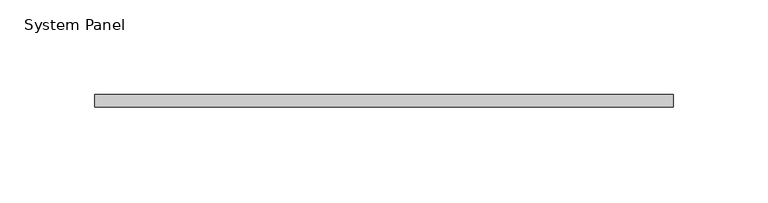
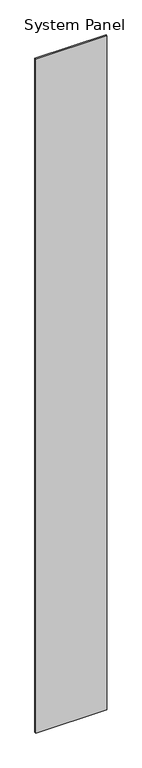
"""IFC4 building model written with IfcOpenShell, lengths in millimetres: plate geometry, System Panel."""

from ifc_helpers import new_model, si_unit, origin, origin_with_axes, place, context, project, spatial, polyline, outline, extrude, source, transform, mapped, element, save


def system_panel_eb322252(model_context):
    return source(origin(), model_context, "Body", "SweptSolid", [
        extrude(outline(polyline([(152.1535164, 0.0), (-152.1535164, 0.0), (-152.1535164, 6.35), (152.1535164, 6.35), (152.1535164, 0.0)])), origin_with_axes(), (0.0, 0.0, 1.0), 3048.0),
    ])


if __name__ == "__main__":
    model = new_model("IFC4")
    model_context = context("Model", 3, world=origin())
    ifc_project = project(units=[si_unit("LENGTHUNIT", "METRE", prefix="MILLI")], contexts=[model_context])
    site = spatial("IfcSite", under=ifc_project)
    building = spatial("IfcBuilding", under=site)
    placement = place(None, origin())
    system_panel_shape = system_panel_eb322252(model_context)
    element("IfcPlate", 1, ObjectType="System Panel", at=placement, inside=building, context=model_context, shape_type="MappedRepresentation", body=[
        mapped(system_panel_shape, transform((0.0, 0.0, 0.0), x_axis=(1.0, 0.0, 0.0), y_axis=(0.0, 1.0, 0.0), z_axis=(0.0, 0.0, 1.0))),
    ])
    save(model, "model.ifc")
